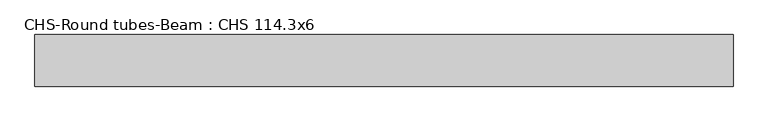
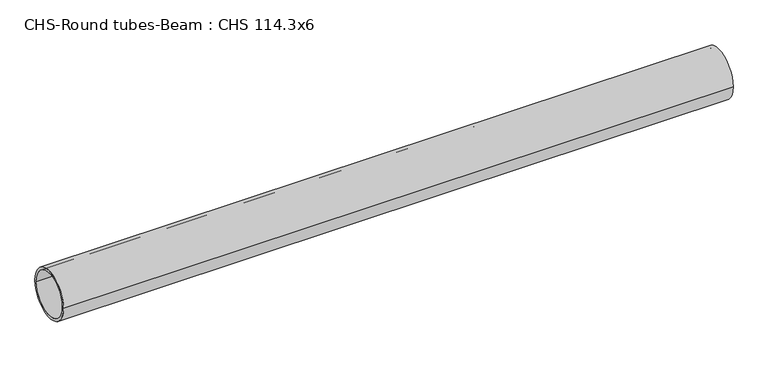
"""IFC4 building model written with IfcOpenShell, lengths in millimetres: beam geometry, CHS-Round tubes-Beam : CHS 114.3x6."""

from ifc_helpers import new_model, si_unit, point, frame, origin, origin_2d, place, context, project, spatial, circle_curve, trimmed, segment, composite_curve, outline, extrude, source, transform, mapped, element, save


def chs_round_tubes_beam_chs_114_3x6_4393f19a(model_context):
    return source(origin(), model_context, "Body", "SweptSolid", [
        extrude(outline(composite_curve([segment(trimmed(circle_curve(origin_2d(), 57.15), [point((57.15, 0.0))], [point((-57.15, 0.0))], False, "CARTESIAN"), True, "CONTINUOUS"), segment(trimmed(circle_curve(origin_2d(), 57.15), [point((-57.15, 0.0))], [point((57.15, 0.0))], False, "CARTESIAN"), True, "CONTINUOUS")], self_intersect=False), holes=[composite_curve([segment(trimmed(circle_curve(origin_2d(), 51.15), [point((51.15, 0.0))], [point((-51.15, 0.0))], True, "CARTESIAN"), True, "CONTINUOUS"), segment(trimmed(circle_curve(origin_2d(), 51.15), [point((-51.15, 0.0))], [point((51.15, 0.0))], True, "CARTESIAN"), True, "CONTINUOUS")], self_intersect=False)]), frame((-764.4365297, 0.0, 0.0), z_axis=(1.0, 0.0, 0.0), x_axis=(0.0, 1.0, 0.0)), (0.0, 0.0, 1.0), 1545.7365837),
    ])


if __name__ == "__main__":
    model = new_model("IFC4")
    model_context = context("Model", 3, world=origin())
    ifc_project = project(units=[si_unit("LENGTHUNIT", "METRE", prefix="MILLI")], contexts=[model_context])
    site = spatial("IfcSite", under=ifc_project)
    building = spatial("IfcBuilding", under=site)
    placement = place(None, origin())
    chs_round_tubes_beam_chs_114_3x6_shape = chs_round_tubes_beam_chs_114_3x6_4393f19a(model_context)
    element("IfcBeam", 1, ObjectType="CHS-Round tubes-Beam : CHS 114.3x6", at=placement, inside=building, context=model_context, shape_type="MappedRepresentation", body=[
        mapped(chs_round_tubes_beam_chs_114_3x6_shape, transform((0.0, 0.0, 0.0), x_axis=(1.0, 0.0, 0.0), y_axis=(0.0, 1.0, 0.0), z_axis=(0.0, 0.0, 1.0))),
    ])
    save(model, "model.ifc")
